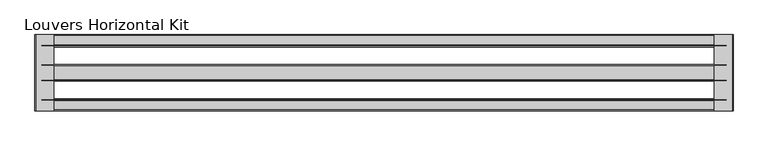
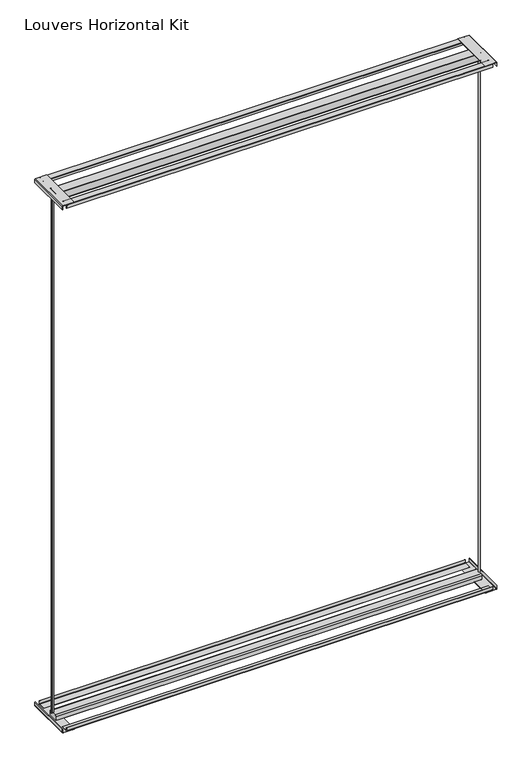
"""IFC4 building model written with IfcOpenShell, lengths in millimetres: proxy geometry, Louvers Horizontal Kit."""

import ifcopenshell
import ifcopenshell.guid

model = None  # the IFC model being written
_history = None  # IfcOwnerHistory: only IFC2X3 demands one
_inside = {}  # id of a spatial element -> (the spatial element, [elements in it])
_under = {}  # id of a project, library or spatial element -> (it, [spatial elements below it])
_declared = {}  # id of a project -> (the project, [libraries it declares])
_typed = {}  # id of a type object -> (the type object, [elements of that type])
_made_of = {}  # id of a material, layer set ... -> (it, [elements and type objects made of it])


def new_model(schema):
    """Start an empty IFC model of exactly this schema.

    Asked for "IFC4X3", IfcOpenShell would pick the latest addendum, in which some entities
    have other attributes; the version numbers below select the first issue.
    IFC2X3 requires an IfcOwnerHistory on every rooted entity: one is made here for all.
    """
    global model, _history
    if schema == "IFC4X3":
        model = ifcopenshell.file(schema_version=(4, 3, 0, 0))
    else:
        model = ifcopenshell.file(schema=schema)
    _inside.clear()
    _under.clear()
    _declared.clear()
    _typed.clear()
    _made_of.clear()
    _history = None
    if model.schema == "IFC2X3":
        org = make("IfcOrganization", Name="unknown")
        user = make(
            "IfcPersonAndOrganization",
            ThePerson=make("IfcPerson", FamilyName="unknown"),
            TheOrganization=org,
        )
        app = make(
            "IfcApplication",
            ApplicationDeveloper=org,
            Version="unknown",
            ApplicationFullName="unknown",
            ApplicationIdentifier="unknown",
        )
        _history = make(
            "IfcOwnerHistory",
            OwningUser=user,
            OwningApplication=app,
            ChangeAction="ADDED",
            CreationDate=0,
        )
    return model


def make(cls, **values):
    """One entity of the class cls with the attributes given. An attribute that is None is left unset."""
    return model.create_entity(
        cls, **{name: value for name, value in values.items() if value is not None}
    )


def rooted(cls, **values):
    """An entity with a GlobalId (a new one), such as an element, a storey or a relation."""
    return make(cls, GlobalId=ifcopenshell.guid.new(), OwnerHistory=_history, **values)


def si_unit(unit_type, name, prefix=None):
    """IfcSIUnit, for example si_unit("LENGTHUNIT", "METRE", prefix="MILLI")."""
    return make("IfcSIUnit", UnitType=unit_type, Prefix=prefix, Name=name)


def assignment(units):
    """IfcUnitAssignment: the units of a project."""
    return None if units is None else make("IfcUnitAssignment", Units=units)


def point(xyz):
    """IfcCartesianPoint."""
    return None if xyz is None else make("IfcCartesianPoint", Coordinates=xyz)


def direction(xyz):
    """IfcDirection."""
    return None if xyz is None else make("IfcDirection", DirectionRatios=xyz)


def frame(location, z_axis=None, x_axis=None):
    """IfcAxis2Placement3D, a coordinate frame: its origin and axes. An axis left out is left unset."""
    return make(
        "IfcAxis2Placement3D",
        Location=point(location),
        Axis=direction(z_axis),
        RefDirection=direction(x_axis),
    )


def frame_2d(location, x_axis=None):
    """IfcAxis2Placement2D, a coordinate frame in the plane: its origin and x axis."""
    return make(
        "IfcAxis2Placement2D", Location=point(location), RefDirection=direction(x_axis)
    )


def origin():
    """The frame at (0, 0, 0) with its axes left unset."""
    return frame((0.0, 0.0, 0.0))


def place(relative_to, where):
    """IfcLocalPlacement: puts the frame where relative to a parent placement (None: the world)."""
    return make(
        "IfcLocalPlacement", PlacementRelTo=relative_to, RelativePlacement=where
    )


def context(
    kind, dimensions, precision=None, world=None, true_north=None, identifier=None
):
    """IfcGeometricRepresentationContext, for example the 3D "Model" context."""
    return make(
        "IfcGeometricRepresentationContext",
        ContextIdentifier=identifier,
        ContextType=kind,
        CoordinateSpaceDimension=dimensions,
        Precision=precision,
        WorldCoordinateSystem=world,
        TrueNorth=true_north,
    )


def project(units=None, contexts=None):
    """IfcProject with its units and contexts."""
    return rooted(
        "IfcProject",
        Name="project",
        RepresentationContexts=contexts,
        UnitsInContext=assignment(units),
    )


def spatial(cls, under=None, at=None, **own):
    """A site, building, storey or space (cls), placed at a placement, below another one or the project."""
    s = rooted(cls, ObjectPlacement=at, **own)
    if under is not None:
        _under.setdefault(under.id(), (under, []))[1].append(s)
    return s


def polyline(points):
    """IfcPolyline through the points."""
    return make("IfcPolyline", Points=[point(p) for p in points])


def circle_curve(where, radius):
    """IfcCircle in the frame where."""
    return make("IfcCircle", Position=where, Radius=radius)


def trimmed(basis, trim1, trim2, sense, master):
    """IfcTrimmedCurve: the piece of a basis curve between two trims."""
    return make(
        "IfcTrimmedCurve",
        BasisCurve=basis,
        Trim1=trim1,
        Trim2=trim2,
        SenseAgreement=sense,
        MasterRepresentation=master,
    )


def segment(curve, same_sense, transition):
    """IfcCompositeCurveSegment."""
    return make(
        "IfcCompositeCurveSegment",
        Transition=transition,
        SameSense=same_sense,
        ParentCurve=curve,
    )


def composite_curve(segments, self_intersect=None):
    """IfcCompositeCurve: segments joined end to end."""
    return make("IfcCompositeCurve", Segments=segments, SelfIntersect=self_intersect)


def outline(outer, holes=None, kind="AREA"):
    """IfcArbitraryClosedProfileDef: a profile drawn as a closed curve; with holes, ...WithVoids."""
    if holes is None:
        return make("IfcArbitraryClosedProfileDef", ProfileType=kind, OuterCurve=outer)
    return make(
        "IfcArbitraryProfileDefWithVoids",
        ProfileType=kind,
        OuterCurve=outer,
        InnerCurves=holes,
    )


def extrude(swept, where, along, depth):
    """IfcExtrudedAreaSolid: the profile swept, set in the frame where, extruded along a direction by depth."""
    return make(
        "IfcExtrudedAreaSolid",
        SweptArea=swept,
        Position=where,
        ExtrudedDirection=direction(along),
        Depth=depth,
    )


def shape(context_of_items, identifier, shape_type, items):
    """IfcShapeRepresentation: the items that make up one representation, for example the "Body"."""
    return make(
        "IfcShapeRepresentation",
        ContextOfItems=context_of_items,
        RepresentationIdentifier=identifier,
        RepresentationType=shape_type,
        Items=items,
    )


def source(mapping_origin, context_of_items, identifier, shape_type, items):
    """IfcRepresentationMap: a shape defined once, which mapped items show again and again."""
    return make(
        "IfcRepresentationMap",
        MappingOrigin=mapping_origin,
        MappedRepresentation=shape(context_of_items, identifier, shape_type, items),
    )


def transform(
    local_origin,
    x_axis=None,
    y_axis=None,
    z_axis=None,
    scale=None,
    scale2=None,
    scale3=None,
    uniform=True,
):
    """IfcCartesianTransformationOperator3D, or its non-uniform kind. x_axis, y_axis, z_axis: its Axis1, 2, 3."""
    if uniform:
        return make(
            "IfcCartesianTransformationOperator3D",
            Axis1=direction(x_axis),
            Axis2=direction(y_axis),
            LocalOrigin=point(local_origin),
            Scale=scale,
            Axis3=direction(z_axis),
        )
    return make(
        "IfcCartesianTransformationOperator3DnonUniform",
        Axis1=direction(x_axis),
        Axis2=direction(y_axis),
        LocalOrigin=point(local_origin),
        Scale=scale,
        Axis3=direction(z_axis),
        Scale2=scale2,
        Scale3=scale3,
    )


def mapped(mapping_source, mapping_target):
    """IfcMappedItem: shows the shape of a source again, moved by a transform."""
    return make(
        "IfcMappedItem", MappingSource=mapping_source, MappingTarget=mapping_target
    )


def made_of(thing, what):
    """Note that an element or type object is made of a material, layer set ...; save() writes the relation."""
    if what is not None:
        _made_of.setdefault(what.id(), (what, []))[1].append(thing)
    return thing


def element(
    cls,
    number,
    at=None,
    inside=None,
    cuts=None,
    type_object=None,
    material=None,
    context=None,
    identifier="Body",
    shape_type=None,
    held_by="IfcProductDefinitionShape",
    body=None,
    shapes=None,
    **own,
):
    """One element of the class cls, such as IfcWall. Its Tag is "e" and its number.

    at: its placement. inside: the storey or other place that contains it. cuts: it is an
    opening in that element (IfcRelVoidsElement). A single representation is given by context,
    identifier, shape_type and body (its items); several are given by shapes. held_by: the class
    of the entity that holds the representations. save() writes the other relations.
    """
    e = rooted(cls, Tag="e%d" % number, ObjectPlacement=at, **own)
    if body is not None:
        shapes = [shape(context, identifier, shape_type, body)]
    if shapes is not None:
        e.Representation = make(held_by, Representations=shapes)
    if inside is not None:
        _inside.setdefault(inside.id(), (inside, []))[1].append(e)
    if cuts is not None:
        rooted(
            "IfcRelVoidsElement", RelatingBuildingElement=cuts, RelatedOpeningElement=e
        )
    if type_object is not None:
        _typed.setdefault(type_object.id(), (type_object, []))[1].append(e)
    return made_of(e, material)


def aggregate(whole, parts):
    """IfcRelAggregates: a whole, such as a stair, and the parts it consists of."""
    return rooted("IfcRelAggregates", RelatingObject=whole, RelatedObjects=parts)


def save(model, path):
    """Write the relations noted so far, then the file.

    IfcRelAggregates (storeys below a building ...), IfcRelContainedInSpatialStructure (elements
    in a storey), IfcRelDefinesByType, IfcRelAssociatesMaterial and IfcRelDeclares: one each for
    every whole, place, type object, material and project.
    """
    for whole, parts in _under.values():
        aggregate(whole, parts)
    for where, things in _inside.values():
        rooted(
            "IfcRelContainedInSpatialStructure",
            RelatedElements=things,
            RelatingStructure=where,
        )
    for kind, things in _typed.values():
        rooted("IfcRelDefinesByType", RelatedObjects=things, RelatingType=kind)
    for what, things in _made_of.values():
        rooted("IfcRelAssociatesMaterial", RelatedObjects=things, RelatingMaterial=what)
    for by, libraries in _declared.values():
        rooted("IfcRelDeclares", RelatingContext=by, RelatedDefinitions=libraries)
    model.write(path)


def plane_surface(at):
    """IfcPlane: the flat surface through the origin of the frame at, square to its z axis."""
    return make("IfcPlane", Position=at)


def extruded_surface(curve, direction_of_extrusion, depth):
    """IfcSurfaceOfLinearExtrusion: the curve pushed along a direction by depth."""
    return make(
        "IfcSurfaceOfLinearExtrusion",
        SweptCurve=make("IfcArbitraryOpenProfileDef", ProfileType="CURVE", Curve=curve),
        ExtrudedDirection=direction(direction_of_extrusion),
        Depth=depth,
    )


def spline_curve(degree, points, multiplicities, knots, weights=None):
    """IfcBSplineCurveWithKnots; with weights, IfcRationalBSplineCurveWithKnots."""
    own = dict(
        Degree=degree,
        ControlPointsList=[point(p) for p in points],
        CurveForm="UNSPECIFIED",
        ClosedCurve=False,
        SelfIntersect=False,
        KnotMultiplicities=multiplicities,
        Knots=knots,
        KnotSpec="UNSPECIFIED",
    )
    if weights is None:
        return make("IfcBSplineCurveWithKnots", **own)
    return make("IfcRationalBSplineCurveWithKnots", WeightsData=weights, **own)


def advanced_brep(points, edges, surfaces, faces):
    """IfcAdvancedBrep: a solid bounded by faces that lie on surfaces and meet in shared edges.

    An edge is (start, end): straight between two places in points (the first is 0);
    or (start, end, curve); or (start, end, curve, False) where it runs against its curve.
    A face is (place in surfaces, loops), or (place, loops, False) where it looks against
    its surface's normal. A loop lists edges by number (the first is 1), with a minus sign
    where the edge is run from its end to its start. The first loop is the outer one.
    """
    corners = [point(p) for p in points]
    vertices = [make("IfcVertexPoint", VertexGeometry=c) for c in corners]
    made = []
    for start, end, *more in edges:
        made.append(
            make(
                "IfcEdgeCurve",
                EdgeStart=vertices[start],
                EdgeEnd=vertices[end],
                EdgeGeometry=more[0] if more else make("IfcPolyline", Points=[corners[start], corners[end]]),
                SameSense=more[1] if len(more) > 1 else True,
            )
        )
    hull = []
    for where, loops, *sense in faces:
        bounds = []
        for j, loop in enumerate(loops):
            ring = [make("IfcOrientedEdge", EdgeElement=made[abs(k) - 1], Orientation=k > 0) for k in loop]
            bounds.append(
                make(
                    "IfcFaceOuterBound" if j == 0 else "IfcFaceBound",
                    Bound=make("IfcEdgeLoop", EdgeList=ring),
                    Orientation=True,
                )
            )
        hull.append(make("IfcAdvancedFace", Bounds=bounds, FaceSurface=surfaces[where], SameSense=sense[0] if sense else True))
    return make("IfcAdvancedBrep", Outer=make("IfcClosedShell", CfsFaces=hull))


def louvers_horizontal_kit_69a83b93(model_context):
    return source(origin(), model_context, "Body", "SolidModel", [
        advanced_brep(
        [(-1312.1080688, 120.8643375, 3016.9358), (-1318.4410766, 120.8643375, 3016.9358), (-1312.1080688, 120.8643375, 31.115), (-1318.4410766, 120.8643375, 31.115)],
        [
            (0, 1, spline_curve(3, [(-1312.1080688, 120.8643375, 3016.9358), (-1311.246431651, 120.8643375, 3016.9358), (-1311.492938619, 122.678814497, 3016.9358), (-1311.070795677, 125.557771507, 3016.9358), (-1310.097296601, 126.219830558, 3016.9358), (-1308.793051679, 125.472512128, 3016.9358), (-1308.374695585, 124.437044374, 3016.9358), (-1307.611853267, 122.876749386, 3016.9358), (-1307.272639749, 122.28921433, 3016.9358), (-1306.683039441, 121.966510283, 3016.9358), (-1306.427697432, 122.166468989, 3016.9358), (-1306.288906304, 123.158462727, 3016.9358), (-1306.463673111, 124.030851771, 3016.9358), (-1307.261391369, 125.815290115, 3016.9358), (-1308.003866149, 126.65959334, 3016.9358), (-1309.786815359, 127.456197295, 3016.9358), (-1310.80808438, 127.456197285, 3016.9358), (-1312.491989813, 126.93883953, 3016.9358), (-1313.148862942, 126.413516951, 3016.9358), (-1314.206712359, 124.849776593, 3016.9358), (-1314.631832089, 123.956570953, 3016.9358), (-1315.456038916, 122.979614008, 3016.9358), (-1315.854345323, 122.834642391, 3016.9358), (-1316.465022803, 123.317250084, 3016.9358), (-1316.693448578, 123.690551025, 3016.9358), (-1317.226755292, 124.050596217, 3016.9358), (-1317.51503674, 123.762314832, 3016.9358), (-1318.601641567, 122.082377418, 3016.9358), (-1319.316158108, 120.8643375, 3016.9358), (-1318.4410766, 120.8643375, 3016.9358)], [4, 2, 2, 2, 2, 2, 2, 2, 2, 2, 2, 2, 2, 2, 4], [0.0, 0.008875458975060613, 0.020481200193104176, 0.029854806107422374, 0.03706210961387012, 0.04368861427224201, 0.051259934554953854, 0.06112024851948062, 0.07042349959220107, 0.079869975820476, 0.08715114258611921, 0.09382589082280558, 0.09814811090978548, 0.10456508278359171, 0.1100107556129994])),
            (1, 0),
            (2, 3),
            (3, 2, spline_curve(3, [(-1318.4410766, 120.8643375, 31.115), (-1319.316158108, 120.8643375, 31.115), (-1318.601641567, 122.082377418, 31.115), (-1317.51503674, 123.762314832, 31.115), (-1317.226755292, 124.050596217, 31.115), (-1316.693448578, 123.690551025, 31.115), (-1316.465022803, 123.317250084, 31.115), (-1315.854345323, 122.834642391, 31.115), (-1315.456038916, 122.979614008, 31.115), (-1314.631832089, 123.956570953, 31.115), (-1314.206712359, 124.849776593, 31.115), (-1313.148862942, 126.413516951, 31.115), (-1312.491989813, 126.93883953, 31.115), (-1310.80808438, 127.456197285, 31.115), (-1309.786815359, 127.456197295, 31.115), (-1308.003866149, 126.65959334, 31.115), (-1307.261391369, 125.815290115, 31.115), (-1306.463673111, 124.030851771, 31.115), (-1306.288906304, 123.158462727, 31.115), (-1306.427697432, 122.166468989, 31.115), (-1306.683039441, 121.966510283, 31.115), (-1307.272639749, 122.28921433, 31.115), (-1307.611853267, 122.876749386, 31.115), (-1308.374695585, 124.437044374, 31.115), (-1308.793051679, 125.472512128, 31.115), (-1310.097296601, 126.219830558, 31.115), (-1311.070795677, 125.557771507, 31.115), (-1311.492938619, 122.678814497, 31.115), (-1311.246431651, 120.8643375, 31.115), (-1312.1080688, 120.8643375, 31.115)], [4, 2, 2, 2, 2, 2, 2, 2, 2, 2, 2, 2, 2, 2, 4], [0.0, 0.005445672829407694, 0.011862644703213923, 0.01618486479019382, 0.022859613026880193, 0.0301407797925234, 0.039587256020798336, 0.04889050709351878, 0.05875082105804555, 0.0663221413407574, 0.07294864599912929, 0.08015594950557703, 0.08952955541989523, 0.10113529663793878, 0.1100107556129994])),
            (0, 2),
            (3, 1),
        ],
        [
            plane_surface(frame((-140.5124567, 122.4609375, 3016.9358), z_axis=(0.0, 0.0, 1.0), x_axis=(0.0, -1.0, 0.0))),
            plane_surface(frame((-140.5124567, 122.4609375, 31.115), z_axis=(0.0, 0.0, -1.0), x_axis=(0.0, -1.0, 0.0))),
            extruded_surface(spline_curve(3, [(-1312.1080688, 120.8643375, 31.115), (-1311.246431651, 120.8643375, 31.115), (-1311.492938619, 122.678814497, 31.115), (-1311.070795677, 125.557771507, 31.115), (-1310.097296601, 126.219830558, 31.115), (-1308.793051679, 125.472512128, 31.115), (-1308.374695585, 124.437044374, 31.115), (-1307.611853267, 122.876749386, 31.115), (-1307.272639749, 122.28921433, 31.115), (-1306.683039441, 121.966510283, 31.115), (-1306.427697432, 122.166468989, 31.115), (-1306.288906304, 123.158462727, 31.115), (-1306.463673111, 124.030851771, 31.115), (-1307.261391369, 125.815290115, 31.115), (-1308.003866149, 126.65959334, 31.115), (-1309.786815359, 127.456197295, 31.115), (-1310.80808438, 127.456197285, 31.115), (-1312.491989813, 126.93883953, 31.115), (-1313.148862942, 126.413516951, 31.115), (-1314.206712359, 124.849776593, 31.115), (-1314.631832089, 123.956570953, 31.115), (-1315.456038916, 122.979614008, 31.115), (-1315.854345323, 122.834642391, 31.115), (-1316.465022803, 123.317250084, 31.115), (-1316.693448578, 123.690551025, 31.115), (-1317.226755292, 124.050596217, 31.115), (-1317.51503674, 123.762314832, 31.115), (-1318.601641567, 122.082377418, 31.115), (-1319.316158108, 120.8643375, 31.115), (-1318.4410766, 120.8643375, 31.115)], [4, 2, 2, 2, 2, 2, 2, 2, 2, 2, 2, 2, 2, 2, 4], [0.0, 0.008875458975060613, 0.020481200193104176, 0.029854806107422374, 0.03706210961387012, 0.04368861427224201, 0.051259934554953854, 0.06112024851948062, 0.07042349959220107, 0.079869975820476, 0.08715114258611921, 0.09382589082280558, 0.09814811090978548, 0.10456508278359171, 0.1100107556129994]), (0.0, 0.0, 2985.8208000000004), 2985.8208000000004),
            plane_surface(frame((-1318.4410766, 120.8643375, 3016.9358), z_axis=(0.0, -1.0, 0.0), x_axis=(0.0, 0.0, -1.0))),
        ],
        [
            (0, [[1, 2]]),
            (1, [[3, 4]]),
            (2, [[-1, 5, -4, 6]]),
            (3, [[-2, -6, -3, -5]]),
        ],
    ),
        advanced_brep(
        [(1031.0582152, 124.0575375, 3016.9358), (1037.3912229, 124.0575375, 3016.9358), (1031.0582152, 124.0575375, 31.115), (1037.3912229, 124.0575375, 31.115)],
        [
            (0, 1, spline_curve(3, [(1031.0582152, 124.0575375, 3016.9358), (1030.196578051, 124.0575375, 3016.9358), (1030.443085019, 122.243060503, 3016.9358), (1030.020942077, 119.364103493, 3016.9358), (1029.047443001, 118.702044442, 3016.9358), (1027.743198079, 119.449362872, 3016.9358), (1027.324841985, 120.484830626, 3016.9358), (1026.561999667, 122.045125614, 3016.9358), (1026.222786149, 122.63266067, 3016.9358), (1025.633185841, 122.955364717, 3016.9358), (1025.377843832, 122.755406011, 3016.9358), (1025.239052704, 121.763412273, 3016.9358), (1025.413819511, 120.891023229, 3016.9358), (1026.211537769, 119.106584885, 3016.9358), (1026.954012549, 118.26228166, 3016.9358), (1028.736961759, 117.465677705, 3016.9358), (1029.75823078, 117.465677715, 3016.9358), (1031.442136213, 117.98303547, 3016.9358), (1032.099009342, 118.508358049, 3016.9358), (1033.156858759, 120.072098407, 3016.9358), (1033.581978489, 120.965304047, 3016.9358), (1034.406185316, 121.942260992, 3016.9358), (1034.804491723, 122.087232609, 3016.9358), (1035.415169203, 121.604624916, 3016.9358), (1035.643594978, 121.231323975, 3016.9358), (1036.176901692, 120.871278783, 3016.9358), (1036.46518304, 121.159560168, 3016.9358), (1037.551787867, 122.839497582, 3016.9358), (1038.266304408, 124.0575375, 3016.9358), (1037.3912229, 124.0575375, 3016.9358)], [4, 2, 2, 2, 2, 2, 2, 2, 2, 2, 2, 2, 2, 2, 4], [0.0, 0.008875458975060613, 0.020481200193104176, 0.029854806107422374, 0.03706210961387012, 0.04368861427224201, 0.051259934554953854, 0.06112024851948062, 0.07042349959220107, 0.079869975820476, 0.08715114258611921, 0.09382589082280558, 0.09814811090978548, 0.10456508278359171, 0.1100107556129994])),
            (1, 0),
            (2, 3),
            (3, 2, spline_curve(3, [(1037.3912229, 124.0575375, 31.115), (1038.266304408, 124.0575375, 31.115), (1037.551787867, 122.839497582, 31.115), (1036.46518304, 121.159560168, 31.115), (1036.176901692, 120.871278783, 31.115), (1035.643594978, 121.231323975, 31.115), (1035.415169203, 121.604624916, 31.115), (1034.804491723, 122.087232609, 31.115), (1034.406185316, 121.942260992, 31.115), (1033.581978489, 120.965304047, 31.115), (1033.156858759, 120.072098407, 31.115), (1032.099009342, 118.508358049, 31.115), (1031.442136213, 117.98303547, 31.115), (1029.75823078, 117.465677715, 31.115), (1028.736961759, 117.465677705, 31.115), (1026.954012549, 118.26228166, 31.115), (1026.211537769, 119.106584885, 31.115), (1025.413819511, 120.891023229, 31.115), (1025.239052704, 121.763412273, 31.115), (1025.377843832, 122.755406011, 31.115), (1025.633185841, 122.955364717, 31.115), (1026.222786149, 122.63266067, 31.115), (1026.561999667, 122.045125614, 31.115), (1027.324841985, 120.484830626, 31.115), (1027.743198079, 119.449362872, 31.115), (1029.047443001, 118.702044442, 31.115), (1030.020942077, 119.364103493, 31.115), (1030.443085019, 122.243060503, 31.115), (1030.196578051, 124.0575375, 31.115), (1031.0582152, 124.0575375, 31.115)], [4, 2, 2, 2, 2, 2, 2, 2, 2, 2, 2, 2, 2, 2, 4], [0.0, 0.005445672829407694, 0.011862644703213923, 0.01618486479019382, 0.022859613026880193, 0.0301407797925234, 0.039587256020798336, 0.04889050709351878, 0.05875082105804555, 0.0663221413407574, 0.07294864599912929, 0.08015594950557703, 0.08952955541989523, 0.10113529663793878, 0.1100107556129994])),
            (0, 2),
            (3, 1),
        ],
        [
            plane_surface(frame((-140.5124567, 122.4609375, 3016.9358), z_axis=(0.0, 0.0, 1.0), x_axis=(0.0, -1.0, 0.0))),
            plane_surface(frame((-140.5124567, 122.4609375, 31.115), z_axis=(0.0, 0.0, -1.0), x_axis=(0.0, -1.0, 0.0))),
            extruded_surface(spline_curve(3, [(1031.0582152, 124.0575375, 31.115), (1030.196578051, 124.0575375, 31.115), (1030.443085019, 122.243060503, 31.115), (1030.020942077, 119.364103493, 31.115), (1029.047443001, 118.702044442, 31.115), (1027.743198079, 119.449362872, 31.115), (1027.324841985, 120.484830626, 31.115), (1026.561999667, 122.045125614, 31.115), (1026.222786149, 122.63266067, 31.115), (1025.633185841, 122.955364717, 31.115), (1025.377843832, 122.755406011, 31.115), (1025.239052704, 121.763412273, 31.115), (1025.413819511, 120.891023229, 31.115), (1026.211537769, 119.106584885, 31.115), (1026.954012549, 118.26228166, 31.115), (1028.736961759, 117.465677705, 31.115), (1029.75823078, 117.465677715, 31.115), (1031.442136213, 117.98303547, 31.115), (1032.099009342, 118.508358049, 31.115), (1033.156858759, 120.072098407, 31.115), (1033.581978489, 120.965304047, 31.115), (1034.406185316, 121.942260992, 31.115), (1034.804491723, 122.087232609, 31.115), (1035.415169203, 121.604624916, 31.115), (1035.643594978, 121.231323975, 31.115), (1036.176901692, 120.871278783, 31.115), (1036.46518304, 121.159560168, 31.115), (1037.551787867, 122.839497582, 31.115), (1038.266304408, 124.0575375, 31.115), (1037.3912229, 124.0575375, 31.115)], [4, 2, 2, 2, 2, 2, 2, 2, 2, 2, 2, 2, 2, 2, 4], [0.0, 0.008875458975060613, 0.020481200193104176, 0.029854806107422374, 0.03706210961387012, 0.04368861427224201, 0.051259934554953854, 0.06112024851948062, 0.07042349959220107, 0.079869975820476, 0.08715114258611921, 0.09382589082280558, 0.09814811090978548, 0.10456508278359171, 0.1100107556129994]), (0.0, 0.0, 2985.8208000000004), 2985.8208000000004),
            plane_surface(frame((1037.3912229, 124.0575375, 3016.9358), z_axis=(0.0, 1.0, 0.0), x_axis=(0.0, 0.0, -1.0))),
        ],
        [
            (0, [[1, 2]]),
            (1, [[3, 4]]),
            (2, [[-1, 5, -4, 6]]),
            (3, [[-2, -6, -3, -5]]),
        ],
    ),
        extrude(outline(composite_curve([segment(polyline([(3057.8565742, -1334.3124567), (3038.475, -1334.3124567), (3038.475, -1332.7249567), (3058.2567188, -1332.7249567)]), True, "CONTINUOUS"), segment(trimmed(circle_curve(frame_2d((3058.2567188, -1331.8691755)), 0.8557812), [point((3058.2567188, -1332.7249567))], [point((3059.1125, -1331.8691755))], True, "CARTESIAN"), True, "CONTINUOUS"), segment(polyline([(3059.1125, -1331.8691755), (3059.1125, -1269.2249567), (3060.7, -1269.2249567), (3060.7, -1331.4690309)]), True, "CONTINUOUS"), segment(trimmed(circle_curve(frame_2d((3057.8565742, -1331.4690309)), 2.8434258), [point((3060.7, -1331.4690309))], [point((3057.8565742, -1334.3124567))], False, "CARTESIAN"), True, "CONTINUOUS")], self_intersect=False)), frame((0.0, -7.7140625, 0.0), z_axis=(0.0, 1.0, 0.0), x_axis=(0.0, 0.0, 1.0)), (0.0, 0.0, 1.0), 260.35),
        extrude(outline(composite_curve([segment(trimmed(circle_curve(frame_2d((3058.0053761, 1050.5929194)), 1.1071239), [point((3059.1125, 1050.5929194))], [point((3058.0053761, 1051.7000433))], True, "CARTESIAN"), True, "CONTINUOUS"), segment(polyline([(3058.0053761, 1051.7000433), (3038.475, 1051.7000433), (3038.475, 1053.2875433), (3058.0291953, 1053.2875433)]), True, "CONTINUOUS"), segment(trimmed(circle_curve(frame_2d((3058.0291953, 1050.6167386)), 2.6708047), [point((3058.0291953, 1053.2875433))], [point((3060.7, 1050.6167386))], False, "CARTESIAN"), True, "CONTINUOUS"), segment(polyline([(3060.7, 1050.6167386), (3060.7, 988.2000433), (3059.1125, 988.2000433), (3059.1125, 1050.5929194)]), True, "CONTINUOUS")], self_intersect=False)), frame((0.0, -7.7140625, 0.0), z_axis=(0.0, 1.0, 0.0), x_axis=(0.0, 0.0, 1.0)), (0.0, 0.0, 1.0), 260.35),
        extrude(outline(composite_curve([segment(polyline([(22.225, -1332.7249567), (22.225, -1334.3124567), (2.6985254, -1334.3124567)]), True, "CONTINUOUS"), segment(trimmed(circle_curve(frame_2d((2.6985254, -1331.6139313)), 2.6985254), [point((2.6985254, -1334.3124567))], [point((0.0, -1331.6139313))], False, "CARTESIAN"), True, "CONTINUOUS"), segment(polyline([(0.0, -1331.6139313), (0.0, -1269.2249567), (1.5875, -1269.2249567), (1.5875, -1331.6071948)]), True, "CONTINUOUS"), segment(trimmed(circle_curve(frame_2d((2.7052619, -1331.6071948)), 1.1177619), [point((1.5875, -1331.6071948))], [point((2.7052619, -1332.7249567))], True, "CARTESIAN"), True, "CONTINUOUS"), segment(polyline([(2.7052619, -1332.7249567), (22.225, -1332.7249567)]), True, "CONTINUOUS")], self_intersect=False)), frame((0.0, -7.7140625, 0.0), z_axis=(0.0, 1.0, 0.0), x_axis=(0.0, 0.0, 1.0)), (0.0, 0.0, 1.0), 260.35),
        extrude(outline(composite_curve([segment(polyline([(1.5875, 988.2000433), (0.0, 988.2000433), (0.0, 1050.2913593)]), True, "CONTINUOUS"), segment(trimmed(circle_curve(frame_2d((2.996184, 1050.2913593)), 2.996184), [point((0.0, 1050.2913593))], [point((2.996184, 1053.2875433))], False, "CARTESIAN"), True, "CONTINUOUS"), segment(polyline([(2.996184, 1053.2875433), (22.225, 1053.2875433), (22.225, 1051.7000433), (2.6812433, 1051.7000433)]), True, "CONTINUOUS"), segment(trimmed(circle_curve(frame_2d((2.6812433, 1050.6062999)), 1.0937433), [point((2.6812433, 1051.7000433))], [point((1.5875, 1050.6062999))], True, "CARTESIAN"), True, "CONTINUOUS"), segment(polyline([(1.5875, 1050.6062999), (1.5875, 988.2000433)]), True, "CONTINUOUS")], self_intersect=False)), frame((0.0, -7.7140625, 0.0), z_axis=(0.0, 1.0, 0.0), x_axis=(0.0, 0.0, 1.0)), (0.0, 0.0, 1.0), 260.35),
        extrude(outline(composite_curve([segment(polyline([(251.4167375, 3038.2837), (251.4167375, 3056.8957431)]), True, "CONTINUOUS"), segment(trimmed(circle_curve(frame_2d((250.3556806, 3056.8957431)), 1.0610569), [point((251.4167375, 3056.8957431))], [point((250.3556806, 3057.9568))], True, "CARTESIAN"), True, "CONTINUOUS"), segment(polyline([(250.3556806, 3057.9568), (217.0862316, 3057.9568)]), True, "CONTINUOUS"), segment(trimmed(circle_curve(frame_2d((217.0862316, 3057.0067059)), 0.9500941), [point((217.0862316, 3057.9568))], [point((216.1361375, 3057.0067059))], True, "CARTESIAN"), True, "CONTINUOUS"), segment(polyline([(216.1361375, 3057.0067059), (216.1361375, 3046.476), (214.9169375, 3046.476), (214.9169375, 3056.9663772)]), True, "CONTINUOUS"), segment(trimmed(circle_curve(frame_2d((217.1265603, 3056.9663772)), 2.2096228), [point((214.9169375, 3056.9663772))], [point((217.1265603, 3059.176))], False, "CARTESIAN"), True, "CONTINUOUS"), segment(polyline([(217.1265603, 3059.176), (250.3692739, 3059.176)]), True, "CONTINUOUS"), segment(trimmed(circle_curve(frame_2d((250.3692739, 3056.9093364)), 2.2666636), [point((250.3692739, 3059.176))], [point((252.6359375, 3056.9093364))], False, "CARTESIAN"), True, "CONTINUOUS"), segment(polyline([(252.6359375, 3056.9093364), (252.6359375, 3038.2837), (251.4167375, 3038.2837)]), True, "CONTINUOUS")], self_intersect=False)), frame((-1310.5126567, 0.0, 0.0), z_axis=(1.0, 0.0, 0.0), x_axis=(0.0, 1.0, 0.0)), (0.0, 0.0, 1.0), 2340.0004),
        extrude(outline(composite_curve([segment(trimmed(circle_curve(frame_2d((147.1993917, 3058.0115342)), 2.6884658), [point((147.1993917, 3060.7))], [point((149.8878575, 3058.0115342))], False, "CARTESIAN"), True, "CONTINUOUS"), segment(polyline([(149.8878575, 3058.0115342), (149.8878575, 3021.8509875)]), True, "CONTINUOUS"), segment(trimmed(circle_curve(frame_2d((144.97267, 3021.8509875)), 4.9151875), [point((149.8878575, 3021.8509875))], [point((144.97267, 3016.9358))], False, "CARTESIAN"), True, "CONTINUOUS"), segment(polyline([(144.97267, 3016.9358), (97.7410837, 3016.9358)]), True, "CONTINUOUS"), segment(trimmed(circle_curve(frame_2d((97.7410837, 3019.6428662)), 2.7070662), [point((97.7410837, 3016.9358))], [point((95.0340175, 3019.6428662))], False, "CARTESIAN"), True, "CONTINUOUS"), segment(polyline([(95.0340175, 3019.6428662), (95.0340175, 3057.9567899)]), True, "CONTINUOUS"), segment(trimmed(circle_curve(frame_2d((97.7772276, 3057.9567899)), 2.7432101), [point((95.0340175, 3057.9567899))], [point((97.7772276, 3060.7))], False, "CARTESIAN"), True, "CONTINUOUS"), segment(polyline([(97.7772276, 3060.7), (147.1993917, 3060.7)]), True, "CONTINUOUS")], self_intersect=False)), frame((-1310.5126567, 0.0, 0.0), z_axis=(1.0, 0.0, 0.0), x_axis=(0.0, 1.0, 0.0)), (0.0, 0.0, 1.0), 2340.0004),
        extrude(outline(composite_curve([segment(trimmed(circle_curve(frame_2d((27.7925673, 3056.9636298)), 2.2123702), [point((27.7925673, 3059.176))], [point((30.0049375, 3056.9636298))], False, "CARTESIAN"), True, "CONTINUOUS"), segment(polyline([(30.0049375, 3056.9636298), (30.0049375, 3046.476), (28.7857375, 3046.476), (28.7857375, 3056.9123345)]), True, "CONTINUOUS"), segment(trimmed(circle_curve(frame_2d((27.741272, 3056.9123345)), 1.0444655), [point((28.7857375, 3056.9123345))], [point((27.741272, 3057.9568))], True, "CARTESIAN"), True, "CONTINUOUS"), segment(polyline([(27.741272, 3057.9568), (-5.426417, 3057.9568)]), True, "CONTINUOUS"), segment(trimmed(circle_curve(frame_2d((-5.426417, 3056.8883545)), 1.0684455), [point((-5.426417, 3057.9568))], [point((-6.4948625, 3056.8883545))], True, "CARTESIAN"), True, "CONTINUOUS"), segment(polyline([(-6.4948625, 3056.8883545), (-6.4948625, 3038.2837), (-7.7140625, 3038.2837), (-7.7140625, 3057.0781083)]), True, "CONTINUOUS"), segment(trimmed(circle_curve(frame_2d((-5.6161708, 3057.0781083)), 2.0978917), [point((-7.7140625, 3057.0781083))], [point((-5.6161708, 3059.176))], False, "CARTESIAN"), True, "CONTINUOUS"), segment(polyline([(-5.6161708, 3059.176), (27.7925673, 3059.176)]), True, "CONTINUOUS")], self_intersect=False)), frame((-1310.5126567, 0.0, 0.0), z_axis=(1.0, 0.0, 0.0), x_axis=(0.0, 1.0, 0.0)), (0.0, 0.0, 1.0), 2340.0004),
        extrude(outline(composite_curve([segment(polyline([(-3.7463885, 3.04292), (33.5609375, 3.04292), (33.5609375, 1.524), (-3.7920205, 1.524)]), True, "CONTINUOUS"), segment(trimmed(circle_curve(frame_2d((-3.7920205, 5.446042)), 3.922042), [point((-3.7920205, 1.524))], [point((-7.7140625, 5.446042))], False, "CARTESIAN"), True, "CONTINUOUS"), segment(polyline([(-7.7140625, 5.446042), (-7.7140625, 22.1615), (-6.1951425, 22.1615), (-6.1951425, 5.491674)]), True, "CONTINUOUS"), segment(trimmed(circle_curve(frame_2d((-3.7463885, 5.491674)), 2.448754), [point((-6.1951425, 5.491674))], [point((-3.7463885, 3.04292))], True, "CARTESIAN"), True, "CONTINUOUS")], self_intersect=False)), frame((-1310.5126567, 0.0, 0.0), z_axis=(1.0, 0.0, 0.0), x_axis=(0.0, 1.0, 0.0)), (0.0, 0.0, 1.0), 2340.0004),
        extrude(outline(composite_curve([segment(trimmed(circle_curve(frame_2d((101.6888175, 24.765)), 6.35), [point((95.3388175, 24.765))], [point((101.6888175, 31.115))], False, "CARTESIAN"), True, "CONTINUOUS"), segment(polyline([(101.6888175, 31.115), (143.2330575, 31.115)]), True, "CONTINUOUS"), segment(trimmed(circle_curve(frame_2d((143.2330575, 24.765)), 6.35), [point((143.2330575, 31.115))], [point((149.5830575, 24.765))], False, "CARTESIAN"), True, "CONTINUOUS"), segment(polyline([(149.5830575, 24.765), (149.5830575, 1.7671503)]), True, "CONTINUOUS"), segment(trimmed(circle_curve(frame_2d((147.8159072, 1.7671503)), 1.7671503), [point((149.5830575, 1.7671503))], [point((147.8159072, 0.0))], False, "CARTESIAN"), True, "CONTINUOUS"), segment(polyline([(147.8159072, 0.0), (97.1991443, 0.0)]), True, "CONTINUOUS"), segment(trimmed(circle_curve(frame_2d((97.1991443, 1.8603268)), 1.8603268), [point((97.1991443, 0.0))], [point((95.3388175, 1.8603268))], False, "CARTESIAN"), True, "CONTINUOUS"), segment(polyline([(95.3388175, 1.8603268), (95.3388175, 24.765)]), True, "CONTINUOUS")], self_intersect=False)), frame((-1310.5126567, 0.0, 0.0), z_axis=(1.0, 0.0, 0.0), x_axis=(0.0, 1.0, 0.0)), (0.0, 0.0, 1.0), 2340.0004),
        extrude(outline(composite_curve([segment(polyline([(211.3609375, 3.04292), (248.7131659, 3.04292)]), True, "CONTINUOUS"), segment(trimmed(circle_curve(frame_2d((248.7131659, 5.4467716)), 2.4038516), [point((248.7131659, 3.04292))], [point((251.1170175, 5.4467716))], True, "CARTESIAN"), True, "CONTINUOUS"), segment(polyline([(251.1170175, 5.4467716), (251.1170175, 22.1615), (252.6359375, 22.1615), (252.6359375, 5.4526681)]), True, "CONTINUOUS"), segment(trimmed(circle_curve(frame_2d((248.7072694, 5.4526681)), 3.9286681), [point((252.6359375, 5.4526681))], [point((248.7072694, 1.524))], False, "CARTESIAN"), True, "CONTINUOUS"), segment(polyline([(248.7072694, 1.524), (211.3609375, 1.524), (211.3609375, 3.04292)]), True, "CONTINUOUS")], self_intersect=False)), frame((-1310.5126567, 0.0, 0.0), z_axis=(1.0, 0.0, 0.0), x_axis=(0.0, 1.0, 0.0)), (0.0, 0.0, 1.0), 2340.0004),
    ])


if __name__ == "__main__":
    model = new_model("IFC4")
    model_context = context("Model", 3, world=origin())
    ifc_project = project(units=[si_unit("LENGTHUNIT", "METRE", prefix="MILLI")], contexts=[model_context])
    site = spatial("IfcSite", under=ifc_project)
    building = spatial("IfcBuilding", under=site)
    placement = place(None, origin())
    louvers_horizontal_kit_shape = louvers_horizontal_kit_69a83b93(model_context)
    element("IfcBuildingElementProxy", 1, Name="Louvers Horizontal Kit", ObjectType="Louvers Horizontal Kit", at=placement, inside=building, context=model_context, shape_type="MappedRepresentation", body=[
        mapped(louvers_horizontal_kit_shape, transform((0.0, 0.0, 0.0), x_axis=(1.0, 0.0, 0.0), y_axis=(0.0, 1.0, 0.0), z_axis=(0.0, 0.0, 1.0))),
    ])
    save(model, "model.ifc")
